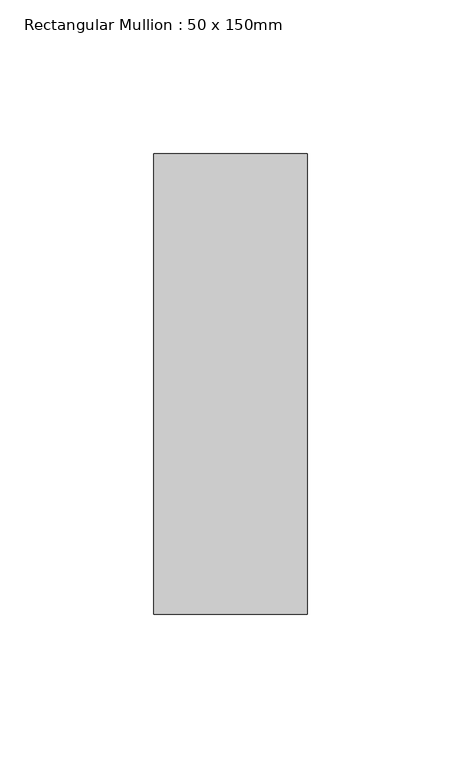
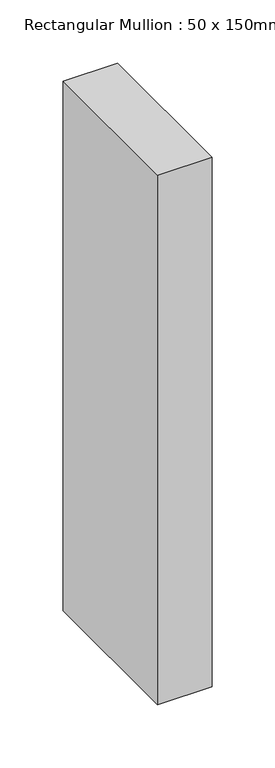
"""IFC4 building model written with IfcOpenShell, lengths in millimetres: member geometry, Rectangular Mullion : 50 x 150mm."""

from ifc_helpers import new_model, si_unit, frame, origin, place, context, project, spatial, polyline, outline, extrude, source, transform, mapped, element, save


def rectangular_mullion_50_x_150mm_009785de(model_context):
    return source(origin(), model_context, "Body", "SweptSolid", [
        extrude(outline(polyline([(25.0, 75.0), (25.0, -75.0), (-25.0, -75.0), (-25.0, 75.0), (25.0, 75.0)])), frame((0.0, 0.0, -512.5333333), z_axis=(0.0, 0.0, 1.0), x_axis=(1.0, 0.0, 0.0)), (0.0, 0.0, 1.0), 512.5333333),
    ])


if __name__ == "__main__":
    model = new_model("IFC4")
    model_context = context("Model", 3, world=origin())
    ifc_project = project(units=[si_unit("LENGTHUNIT", "METRE", prefix="MILLI")], contexts=[model_context])
    site = spatial("IfcSite", under=ifc_project)
    building = spatial("IfcBuilding", under=site)
    placement = place(None, origin())
    rectangular_mullion_50_x_150mm_shape = rectangular_mullion_50_x_150mm_009785de(model_context)
    element("IfcMember", 1, ObjectType="Rectangular Mullion : 50 x 150mm", at=placement, inside=building, context=model_context, shape_type="MappedRepresentation", body=[
        mapped(rectangular_mullion_50_x_150mm_shape, transform((0.0, 0.0, 0.0), x_axis=(1.0, 0.0, 0.0), y_axis=(0.0, 1.0, 0.0), z_axis=(0.0, 0.0, 1.0))),
    ])
    save(model, "model.ifc")
